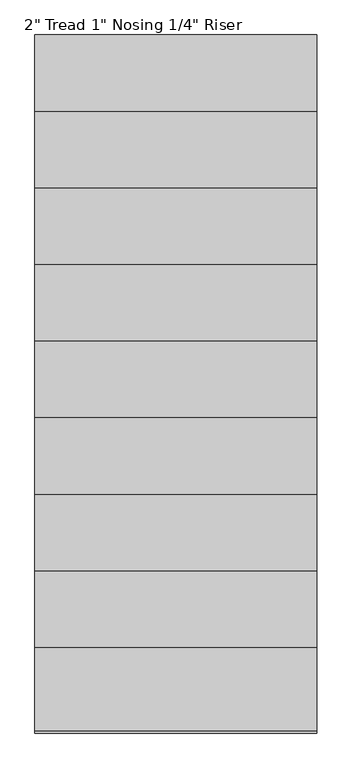
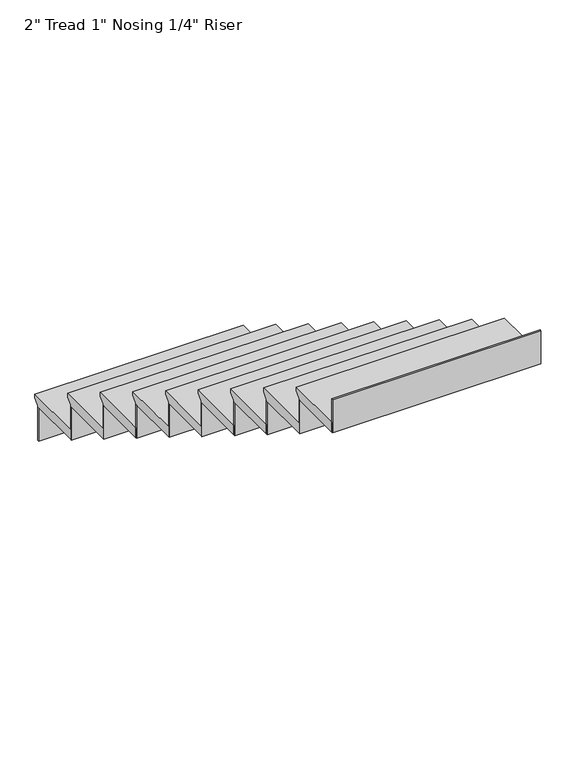
"""IFC4 building model written with IfcOpenShell, lengths in millimetres: stair flight geometry."""

from ifc_helpers import new_model, si_unit, frame, origin, place, context, project, spatial, polyline, outline, extrude, source, transform, mapped, element, save


def stair_flight_742873ba(model_context):
    return source(origin(), model_context, "Body", "SweptSolid", [
        extrude(outline(polyline([(4835.2460566, 41866.4571429), (5140.0460566, 41866.4571429), (5140.0460566, 41847.4071429), (5114.6460566, 41822.0071429), (5114.6460566, 41815.6571429), (4835.2460566, 41815.6571429), (4835.2460566, 41866.4571429)])), frame((-20450.1930445, 0.0, 0.0), z_axis=(1.0, 0.0, 0.0), x_axis=(0.0, 1.0, 0.0)), (0.0, 0.0, 1.0), 1028.3259746),
        extrude(outline(polyline([(-20450.1930445, 5108.2960566), (-20450.1930445, 5114.6460566), (-19421.8670699, 5114.6460566), (-19421.8670699, 5108.2960566), (-20450.1930445, 5108.2960566)])), frame((0.0, 0.0, 41641.4857143), z_axis=(0.0, 0.0, 1.0), x_axis=(1.0, 0.0, 0.0)), (0.0, 0.0, 1.0), 174.1714286),
        extrude(outline(polyline([(4555.8460566, 42040.6285714), (4860.6460566, 42040.6285714), (4860.6460566, 42021.5785714), (4835.2460566, 41996.1785714), (4835.2460566, 41989.8285714), (4555.8460566, 41989.8285714), (4555.8460566, 42040.6285714)])), frame((-20450.1930445, 0.0, 0.0), z_axis=(1.0, 0.0, 0.0), x_axis=(0.0, 1.0, 0.0)), (0.0, 0.0, 1.0), 1028.3259746),
        extrude(outline(polyline([(-20450.1930445, 4828.8960566), (-20450.1930445, 4835.2460566), (-19421.8670699, 4835.2460566), (-19421.8670699, 4828.8960566), (-20450.1930445, 4828.8960566)])), frame((0.0, 0.0, 41815.6571429), z_axis=(0.0, 0.0, 1.0), x_axis=(1.0, 0.0, 0.0)), (0.0, 0.0, 1.0), 174.1714286),
        extrude(outline(polyline([(4276.4460566, 42214.8), (4581.2460566, 42214.8), (4581.2460566, 42195.75), (4555.8460566, 42170.35), (4555.8460566, 42164.0), (4276.4460566, 42164.0), (4276.4460566, 42214.8)])), frame((-20450.1930445, 0.0, 0.0), z_axis=(1.0, 0.0, 0.0), x_axis=(0.0, 1.0, 0.0)), (0.0, 0.0, 1.0), 1028.3259746),
        extrude(outline(polyline([(-20450.1930445, 4549.4960566), (-20450.1930445, 4555.8460566), (-19421.8670699, 4555.8460566), (-19421.8670699, 4549.4960566), (-20450.1930445, 4549.4960566)])), frame((0.0, 0.0, 41989.8285714), z_axis=(0.0, 0.0, 1.0), x_axis=(1.0, 0.0, 0.0)), (0.0, 0.0, 1.0), 174.1714286),
        extrude(outline(polyline([(3997.0460566, 42388.9714286), (4301.8460566, 42388.9714286), (4301.8460566, 42369.9214286), (4276.4460566, 42344.5214286), (4276.4460566, 42338.1714286), (3997.0460566, 42338.1714286), (3997.0460566, 42388.9714286)])), frame((-20450.1930445, 0.0, 0.0), z_axis=(1.0, 0.0, 0.0), x_axis=(0.0, 1.0, 0.0)), (0.0, 0.0, 1.0), 1028.3259746),
        extrude(outline(polyline([(-20450.1930445, 4270.0960566), (-20450.1930445, 4276.4460566), (-19421.8670699, 4276.4460566), (-19421.8670699, 4270.0960566), (-20450.1930445, 4270.0960566)])), frame((0.0, 0.0, 42164.0), z_axis=(0.0, 0.0, 1.0), x_axis=(1.0, 0.0, 0.0)), (0.0, 0.0, 1.0), 174.1714286),
        extrude(outline(polyline([(3717.6460566, 42563.1428571), (4022.4460566, 42563.1428571), (4022.4460566, 42544.0928571), (3997.0460566, 42518.6928571), (3997.0460566, 42512.3428571), (3717.6460566, 42512.3428571), (3717.6460566, 42563.1428571)])), frame((-20450.1930445, 0.0, 0.0), z_axis=(1.0, 0.0, 0.0), x_axis=(0.0, 1.0, 0.0)), (0.0, 0.0, 1.0), 1028.3259746),
        extrude(outline(polyline([(-20450.1930445, 3990.6960566), (-20450.1930445, 3997.0460566), (-19421.8670699, 3997.0460566), (-19421.8670699, 3990.6960566), (-20450.1930445, 3990.6960566)])), frame((0.0, 0.0, 42338.1714286), z_axis=(0.0, 0.0, 1.0), x_axis=(1.0, 0.0, 0.0)), (0.0, 0.0, 1.0), 174.1714286),
        extrude(outline(polyline([(3438.2460566, 42737.3142857), (3743.0460566, 42737.3142857), (3743.0460566, 42718.2642857), (3717.6460566, 42692.8642857), (3717.6460566, 42686.5142857), (3438.2460566, 42686.5142857), (3438.2460566, 42737.3142857)])), frame((-20450.1930445, 0.0, 0.0), z_axis=(1.0, 0.0, 0.0), x_axis=(0.0, 1.0, 0.0)), (0.0, 0.0, 1.0), 1028.3259746),
        extrude(outline(polyline([(-20450.1930445, 3711.2960566), (-20450.1930445, 3717.6460566), (-19421.8670699, 3717.6460566), (-19421.8670699, 3711.2960566), (-20450.1930445, 3711.2960566)])), frame((0.0, 0.0, 42512.3428571), z_axis=(0.0, 0.0, 1.0), x_axis=(1.0, 0.0, 0.0)), (0.0, 0.0, 1.0), 174.1714286),
        extrude(outline(polyline([(3158.8460566, 42911.4857143), (3463.6460566, 42911.4857143), (3463.6460566, 42892.4357143), (3438.2460566, 42867.0357143), (3438.2460566, 42860.6857143), (3158.8460566, 42860.6857143), (3158.8460566, 42911.4857143)])), frame((-20450.1930445, 0.0, 0.0), z_axis=(1.0, 0.0, 0.0), x_axis=(0.0, 1.0, 0.0)), (0.0, 0.0, 1.0), 1028.3259746),
        extrude(outline(polyline([(-20450.1930445, 3431.8960566), (-20450.1930445, 3438.2460566), (-19421.8670699, 3438.2460566), (-19421.8670699, 3431.8960566), (-20450.1930445, 3431.8960566)])), frame((0.0, 0.0, 42686.5142857), z_axis=(0.0, 0.0, 1.0), x_axis=(1.0, 0.0, 0.0)), (0.0, 0.0, 1.0), 174.1714286),
        extrude(outline(polyline([(2879.4460566, 43085.6571429), (3184.2460566, 43085.6571429), (3184.2460566, 43066.6071429), (3158.8460566, 43041.2071429), (3158.8460566, 43034.8571429), (2879.4460566, 43034.8571429), (2879.4460566, 43085.6571429)])), frame((-20450.1930445, 0.0, 0.0), z_axis=(1.0, 0.0, 0.0), x_axis=(0.0, 1.0, 0.0)), (0.0, 0.0, 1.0), 1028.3259746),
        extrude(outline(polyline([(-20450.1930445, 3152.4960566), (-20450.1930445, 3158.8460566), (-19421.8670699, 3158.8460566), (-19421.8670699, 3152.4960566), (-20450.1930445, 3152.4960566)])), frame((0.0, 0.0, 42860.6857143), z_axis=(0.0, 0.0, 1.0), x_axis=(1.0, 0.0, 0.0)), (0.0, 0.0, 1.0), 174.1714286),
        extrude(outline(polyline([(2600.0460566, 43259.8285714), (2904.8460566, 43259.8285714), (2904.8460566, 43240.7785714), (2879.4460566, 43215.3785714), (2879.4460566, 43209.0285714), (2600.0460566, 43209.0285714), (2600.0460566, 43259.8285714)])), frame((-20450.1930445, 0.0, 0.0), z_axis=(1.0, 0.0, 0.0), x_axis=(0.0, 1.0, 0.0)), (0.0, 0.0, 1.0), 1028.3259746),
        extrude(outline(polyline([(-20450.1930445, 2873.0960566), (-20450.1930445, 2879.4460566), (-19421.8670699, 2879.4460566), (-19421.8670699, 2873.0960566), (-20450.1930445, 2873.0960566)])), frame((0.0, 0.0, 43034.8571429), z_axis=(0.0, 0.0, 1.0), x_axis=(1.0, 0.0, 0.0)), (0.0, 0.0, 1.0), 174.1714286),
        extrude(outline(polyline([(-20450.1930445, 2593.6960566), (-20450.1930445, 2600.0460566), (-19421.8670699, 2600.0460566), (-19421.8670699, 2593.6960566), (-20450.1930445, 2593.6960566)])), frame((0.0, 0.0, 43209.0285714), z_axis=(0.0, 0.0, 1.0), x_axis=(1.0, 0.0, 0.0)), (0.0, 0.0, 1.0), 174.1714286),
    ])


if __name__ == "__main__":
    model = new_model("IFC4")
    model_context = context("Model", 3, world=origin())
    ifc_project = project(units=[si_unit("LENGTHUNIT", "METRE", prefix="MILLI")], contexts=[model_context])
    site = spatial("IfcSite", under=ifc_project)
    building = spatial("IfcBuilding", under=site)
    placement = place(None, origin())
    stair_flight_shape = stair_flight_742873ba(model_context)
    element("IfcStairFlight", 1, ObjectType="2\" Tread 1\" Nosing 1/4\" Riser", at=placement, inside=building, context=model_context, shape_type="MappedRepresentation", body=[
        mapped(stair_flight_shape, transform((0.0, 0.0, 0.0), x_axis=(1.0, 0.0, 0.0), y_axis=(0.0, 1.0, 0.0), z_axis=(0.0, 0.0, 1.0))),
    ])
    save(model, "model.ifc")
